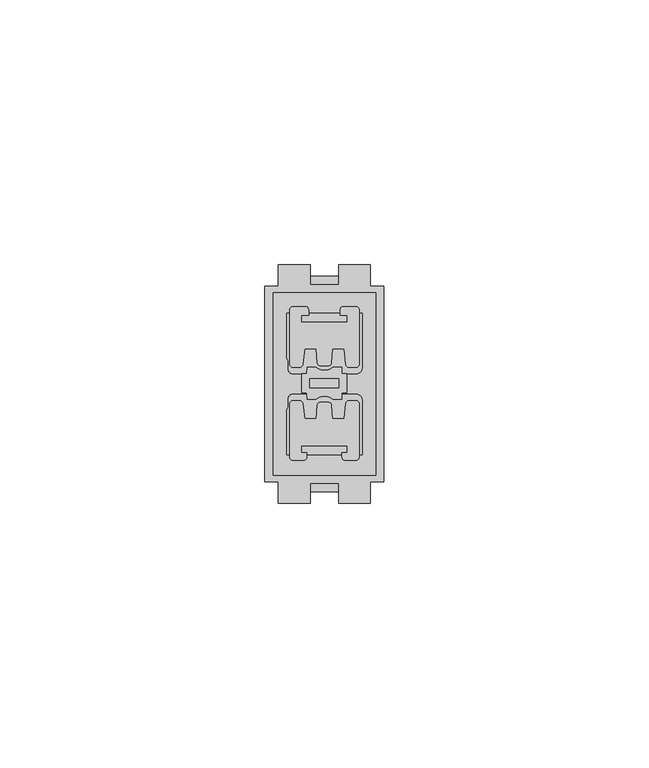
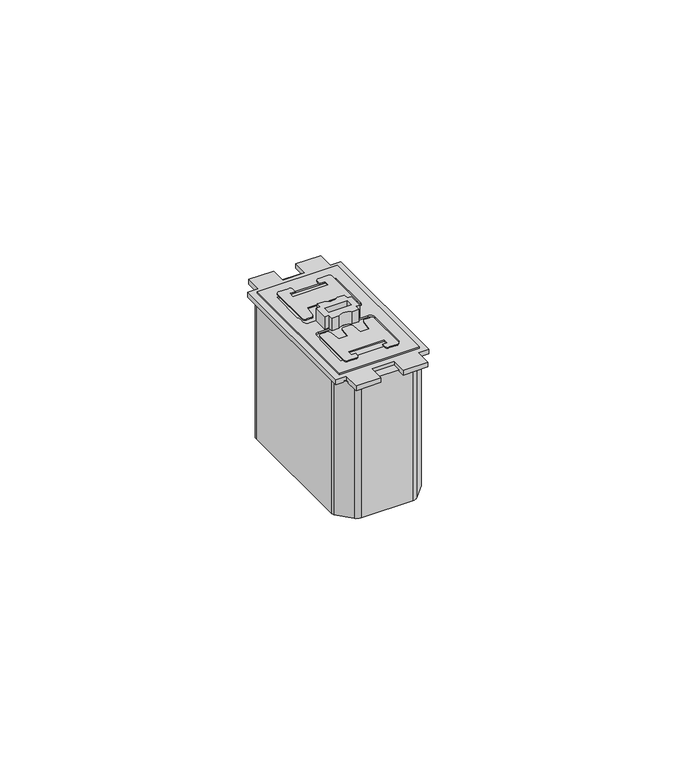
"""IFC4 building model written with IfcOpenShell, lengths in millimetres: proxy geometry."""

from ifc_helpers import new_model, si_unit, point, frame, frame_2d, origin, origin_with_axes, place, context, project, spatial, polyline, circle_curve, trimmed, segment, composite_curve, outline, extrude, source, transform, mapped, element, save


def electrical_fixtures_7c8f1b12(model_context):
    return source(origin(), model_context, "Body", "SweptSolid", [
        extrude(outline(composite_curve([segment(polyline([(8.0, 25.6223958), (9.6534855, 25.6223958)]), True, "CONTINUOUS"), segment(trimmed(circle_curve(frame_2d((11.25, 27.6645583)), 2.5921585), [point((9.6534855, 25.6223958))], [point((12.8465144, 25.6223958))], True, "CARTESIAN"), True, "CONTINUOUS"), segment(polyline([(12.8465144, 25.6223958), (14.5, 25.6223958), (14.5523931, 24.4223958), (15.5018248, 24.4223958), (15.5018248, 20.8223958), (14.5523931, 20.8223958), (14.5, 19.6223958), (12.8465144, 19.6223958)]), True, "CONTINUOUS"), segment(trimmed(circle_curve(frame_2d((11.25, 17.5802334)), 2.5921585), [point((12.8465144, 19.6223958))], [point((9.6534855, 19.6223958))], True, "CARTESIAN"), True, "CONTINUOUS"), segment(polyline([(9.6534855, 19.6223958), (8.0, 19.6223958), (7.9476069, 20.8223958), (6.9981751, 20.8223958), (6.9981751, 24.4223958), (7.9476069, 24.4223958), (8.0, 25.6223958)]), True, "CONTINUOUS")], self_intersect=False), holes=[polyline([(13.9893543, 23.4985981), (8.5106457, 23.4985981), (8.5106457, 21.7461936), (13.9893543, 21.7461936), (13.9893543, 23.4985981)])]), frame((0.0, 0.0, 1.5736937), z_axis=(0.0, 0.0, 1.0), x_axis=(1.0, 0.0, 0.0)), (0.0, 0.0, 1.0), 3.1763063),
        extrude(outline(composite_curve([segment(trimmed(circle_curve(frame_2d((5.2789012, 18.7487029)), 0.6009646), [point((4.6779366, 18.7487029))], [point((5.2789012, 19.3496676))], False, "CARTESIAN"), True, "CONTINUOUS"), segment(polyline([(5.2789012, 19.3496676), (6.560814, 19.3496676)]), True, "CONTINUOUS"), segment(trimmed(circle_curve(frame_2d((6.560814, 18.7099915)), 0.639676), [point((6.560814, 19.3496676))], [point((7.1814889, 18.8647431))], False, "CARTESIAN"), True, "CONTINUOUS"), segment(polyline([(7.1814889, 18.8647431), (7.546549, 15.8915672), (9.7492399, 15.8915672), (9.9342949, 18.5379774)]), True, "CONTINUOUS"), segment(trimmed(circle_curve(frame_2d((10.5204569, 18.4555977)), 0.5919226), [point((9.9342949, 18.5379774))], [point((10.5204569, 19.0475203))], False, "CARTESIAN"), True, "CONTINUOUS"), segment(polyline([(10.5204569, 19.0475203), (11.9795431, 19.0475203)]), True, "CONTINUOUS"), segment(trimmed(circle_curve(frame_2d((11.9795431, 18.4555977)), 0.5919226), [point((11.9795431, 19.0475203))], [point((12.5657051, 18.5379774))], False, "CARTESIAN"), True, "CONTINUOUS"), segment(polyline([(12.5657051, 18.5379774), (12.7507601, 15.8915672), (14.953451, 15.8915672), (15.3185111, 18.8647431)]), True, "CONTINUOUS"), segment(trimmed(circle_curve(frame_2d((15.939186, 18.7099915)), 0.639676), [point((15.3185111, 18.8647431))], [point((15.939186, 19.3496676))], False, "CARTESIAN"), True, "CONTINUOUS"), segment(polyline([(15.939186, 19.3496676), (17.2210988, 19.3496676)]), True, "CONTINUOUS"), segment(trimmed(circle_curve(frame_2d((17.2210988, 18.7487029)), 0.6009646), [point((17.2210988, 19.3496676))], [point((17.8220634, 18.7487029))], False, "CARTESIAN"), True, "CONTINUOUS"), segment(polyline([(17.8220634, 18.7487029), (17.8220634, 8.7498452)]), True, "CONTINUOUS"), segment(trimmed(circle_curve(frame_2d((17.194614, 8.7498452)), 0.6274493), [point((17.8220634, 8.7498452))], [point((17.194614, 8.1223958))], False, "CARTESIAN"), True, "CONTINUOUS"), segment(polyline([(17.194614, 8.1223958), (15.1791727, 8.1223958)]), True, "CONTINUOUS"), segment(trimmed(circle_curve(frame_2d((15.1791727, 8.736603)), 0.6142071), [point((15.1791727, 8.1223958))], [point((14.5649656, 8.736603))], False, "CARTESIAN"), True, "CONTINUOUS"), segment(polyline([(14.5649656, 8.736603), (14.5649656, 9.5309866), (15.5879276, 9.5309866), (15.5879276, 10.8291823), (6.9120724, 10.8291823), (6.9120724, 9.5309866), (7.9350344, 9.5309866), (7.9350344, 8.736603)]), True, "CONTINUOUS"), segment(trimmed(circle_curve(frame_2d((7.3208273, 8.736603)), 0.6142071), [point((7.9350344, 8.736603))], [point((7.3208273, 8.1223958))], False, "CARTESIAN"), True, "CONTINUOUS"), segment(polyline([(7.3208273, 8.1223958), (5.305386, 8.1223958)]), True, "CONTINUOUS"), segment(trimmed(circle_curve(frame_2d((5.305386, 8.7498452)), 0.6274493), [point((5.305386, 8.1223958))], [point((4.6779366, 8.7498452))], False, "CARTESIAN"), True, "CONTINUOUS"), segment(polyline([(4.6779366, 8.7498452), (4.6779366, 18.7487029)]), True, "CONTINUOUS")], self_intersect=False)), frame((0.0, 0.0, 1.5736937), z_axis=(0.0, 0.0, 1.0), x_axis=(1.0, 0.0, 0.0)), (0.0, 0.0, 1.0), 0.2763063),
        extrude(outline(composite_curve([segment(polyline([(4.6779366, 26.2512971), (4.6779366, 36.4949465)]), True, "CONTINUOUS"), segment(trimmed(circle_curve(frame_2d((5.305386, 36.4949465)), 0.6274493), [point((4.6779366, 36.4949465))], [point((5.305386, 37.1223958))], False, "CARTESIAN"), True, "CONTINUOUS"), segment(polyline([(5.305386, 37.1223958), (7.6357929, 37.1223958)]), True, "CONTINUOUS"), segment(trimmed(circle_curve(frame_2d((7.6357929, 36.5081887)), 0.6142071), [point((7.6357929, 37.1223958))], [point((8.25, 36.5081887))], False, "CARTESIAN"), True, "CONTINUOUS"), segment(polyline([(8.25, 36.5081887), (8.25, 35.4690134), (6.9120724, 35.4690134), (6.9120724, 34.1708177), (15.5879276, 34.1708177), (15.5879276, 35.4690134), (14.25, 35.4690134), (14.25, 36.5081887)]), True, "CONTINUOUS"), segment(trimmed(circle_curve(frame_2d((14.8642071, 36.5081887)), 0.6142071), [point((14.25, 36.5081887))], [point((14.8642071, 37.1223958))], False, "CARTESIAN"), True, "CONTINUOUS"), segment(polyline([(14.8642071, 37.1223958), (17.194614, 37.1223958)]), True, "CONTINUOUS"), segment(trimmed(circle_curve(frame_2d((17.194614, 36.4949465)), 0.6274493), [point((17.194614, 37.1223958))], [point((17.8220634, 36.4949465))], False, "CARTESIAN"), True, "CONTINUOUS"), segment(polyline([(17.8220634, 36.4949465), (17.8220634, 26.2512971)]), True, "CONTINUOUS"), segment(trimmed(circle_curve(frame_2d((17.2210988, 26.2512971)), 0.6009646), [point((17.8220634, 26.2512971))], [point((17.2210988, 25.6503324))], False, "CARTESIAN"), True, "CONTINUOUS"), segment(polyline([(17.2210988, 25.6503324), (15.939186, 25.6503324)]), True, "CONTINUOUS"), segment(trimmed(circle_curve(frame_2d((15.939186, 26.2900085)), 0.639676), [point((15.939186, 25.6503324))], [point((15.3185111, 26.1352569))], False, "CARTESIAN"), True, "CONTINUOUS"), segment(polyline([(15.3185111, 26.1352569), (14.953451, 29.1084328), (12.7507601, 29.1084328), (12.5657051, 26.4620226)]), True, "CONTINUOUS"), segment(trimmed(circle_curve(frame_2d((11.9795431, 26.5444023)), 0.5919226), [point((12.5657051, 26.4620226))], [point((11.9795431, 25.9524797))], False, "CARTESIAN"), True, "CONTINUOUS"), segment(polyline([(11.9795431, 25.9524797), (10.5204569, 25.9524797)]), True, "CONTINUOUS"), segment(trimmed(circle_curve(frame_2d((10.5204569, 26.5444023)), 0.5919226), [point((10.5204569, 25.9524797))], [point((9.9342949, 26.4620226))], False, "CARTESIAN"), True, "CONTINUOUS"), segment(polyline([(9.9342949, 26.4620226), (9.7492399, 29.1084328), (7.546549, 29.1084328), (7.1814889, 26.1352569)]), True, "CONTINUOUS"), segment(trimmed(circle_curve(frame_2d((6.560814, 26.2900085)), 0.639676), [point((7.1814889, 26.1352569))], [point((6.560814, 25.6503324))], False, "CARTESIAN"), True, "CONTINUOUS"), segment(polyline([(6.560814, 25.6503324), (5.2789012, 25.6503324)]), True, "CONTINUOUS"), segment(trimmed(circle_curve(frame_2d((5.2789012, 26.2512971)), 0.6009646), [point((5.2789012, 25.6503324))], [point((4.6779366, 26.2512971))], False, "CARTESIAN"), True, "CONTINUOUS")], self_intersect=False)), frame((0.0, 0.0, 1.5736937), z_axis=(0.0, 0.0, 1.0), x_axis=(1.0, 0.0, 0.0)), (0.0, 0.0, 1.0), 0.2763063),
        extrude(outline(polyline([(20.9310809, 39.7046168), (20.9310809, 5.2953832), (1.5689191, 5.2953832), (1.5689191, 39.7046168), (20.9310809, 39.7046168)]), holes=[composite_curve([segment(trimmed(circle_curve(frame_2d((2.700367, 26.4323958)), 1.7182136), [point((4.15, 27.3547961))], [point((4.4185806, 26.4323958))], False, "CARTESIAN"), True, "CONTINUOUS"), segment(polyline([(4.4185806, 26.4323958), (4.4185806, 25.2872263)]), True, "CONTINUOUS"), segment(trimmed(circle_curve(frame_2d((5.283411, 25.2872263)), 0.8648304), [point((4.4185806, 25.2872263))], [point((5.283411, 24.4223958))], True, "CARTESIAN"), True, "CONTINUOUS"), segment(polyline([(5.283411, 24.4223958), (17.2495844, 24.4223958)]), True, "CONTINUOUS"), segment(trimmed(circle_curve(frame_2d((17.2495844, 25.5228114)), 1.1004156), [point((17.2495844, 24.4223958))], [point((18.35, 25.5228114))], True, "CARTESIAN"), True, "CONTINUOUS"), segment(polyline([(18.35, 25.5228114), (18.35, 35.8223958), (4.15, 35.8223958), (4.15, 27.3547961)]), True, "CONTINUOUS")], self_intersect=False), composite_curve([segment(polyline([(4.15, 17.6452039), (4.15, 9.1776042), (18.35, 9.1776042), (18.35, 19.4771886)]), True, "CONTINUOUS"), segment(trimmed(circle_curve(frame_2d((17.2495844, 19.4771886)), 1.1004156), [point((18.35, 19.4771886))], [point((17.2495844, 20.5776042))], True, "CARTESIAN"), True, "CONTINUOUS"), segment(polyline([(17.2495844, 20.5776042), (5.283411, 20.5776042)]), True, "CONTINUOUS"), segment(trimmed(circle_curve(frame_2d((5.283411, 19.7127737)), 0.8648304), [point((5.283411, 20.5776042))], [point((4.4185806, 19.7127737))], True, "CARTESIAN"), True, "CONTINUOUS"), segment(polyline([(4.4185806, 19.7127737), (4.4185806, 18.5676042)]), True, "CONTINUOUS"), segment(trimmed(circle_curve(frame_2d((2.700367, 18.5676042)), 1.7182136), [point((4.4185806, 18.5676042))], [point((4.15, 17.6452039))], False, "CARTESIAN"), True, "CONTINUOUS")], self_intersect=False)]), frame((0.0, 0.0, 1.1865762), z_axis=(0.0, 0.0, 1.0), x_axis=(1.0, 0.0, 0.0)), (0.0, 0.0, 1.0), 0.3871175),
        extrude(outline(composite_curve([segment(trimmed(circle_curve(frame_2d((22.9785709, 22.0163771)), 28.0250427), [point((0.6708855, 38.9801677))], [point((3.6496058, 42.3090883))], False, "CARTESIAN"), True, "CONTINUOUS"), segment(trimmed(circle_curve(frame_2d((5.0058625, 40.8852084)), 1.9664349), [point((3.6496058, 42.3090883))], [point((5.0058625, 42.8516432))], False, "CARTESIAN"), True, "CONTINUOUS"), segment(polyline([(5.0058625, 42.8516432), (17.4941375, 42.8516432)]), True, "CONTINUOUS"), segment(trimmed(circle_curve(frame_2d((17.4941375, 40.8852084)), 1.9664349), [point((17.4941375, 42.8516432))], [point((18.8503942, 42.3090883))], False, "CARTESIAN"), True, "CONTINUOUS"), segment(trimmed(circle_curve(frame_2d((-0.4785709, 22.0163771)), 28.0250427), [point((18.8503942, 42.3090883))], [point((21.8291145, 38.9801677))], False, "CARTESIAN"), True, "CONTINUOUS"), segment(trimmed(circle_curve(frame_2d((20.8665201, 38.2481666)), 1.2093029), [point((21.8291145, 38.9801677))], [point((22.075823, 38.2481666))], False, "CARTESIAN"), True, "CONTINUOUS"), segment(polyline([(22.075823, 38.2481666), (22.075823, 6.7518334)]), True, "CONTINUOUS"), segment(trimmed(circle_curve(frame_2d((20.8665201, 6.7518334)), 1.2093029), [point((22.075823, 6.7518334))], [point((21.8291145, 6.0198323))], False, "CARTESIAN"), True, "CONTINUOUS"), segment(trimmed(circle_curve(frame_2d((-0.4785709, 22.9836229)), 28.0250427), [point((21.8291145, 6.0198323))], [point((18.8503942, 2.6909117))], False, "CARTESIAN"), True, "CONTINUOUS"), segment(trimmed(circle_curve(frame_2d((17.4941375, 4.1147916)), 1.9664349), [point((18.8503942, 2.6909117))], [point((17.4941375, 2.1483568))], False, "CARTESIAN"), True, "CONTINUOUS"), segment(polyline([(17.4941375, 2.1483568), (5.0058625, 2.1483568)]), True, "CONTINUOUS"), segment(trimmed(circle_curve(frame_2d((5.0058625, 4.1147916)), 1.9664349), [point((5.0058625, 2.1483568))], [point((3.6496058, 2.6909117))], False, "CARTESIAN"), True, "CONTINUOUS"), segment(trimmed(circle_curve(frame_2d((22.9785709, 22.9836229)), 28.0250427), [point((3.6496058, 2.6909117))], [point((0.6708855, 6.0198323))], False, "CARTESIAN"), True, "CONTINUOUS"), segment(trimmed(circle_curve(frame_2d((1.6334799, 6.7518334)), 1.2093029), [point((0.6708855, 6.0198323))], [point((0.424177, 6.7518334))], False, "CARTESIAN"), True, "CONTINUOUS"), segment(polyline([(0.424177, 6.7518334), (0.424177, 38.2481666)]), True, "CONTINUOUS"), segment(trimmed(circle_curve(frame_2d((1.6334799, 38.2481666)), 1.2093029), [point((0.424177, 38.2481666))], [point((0.6708855, 38.9801677))], False, "CARTESIAN"), True, "CONTINUOUS")], self_intersect=False)), frame((0.0, 0.0, -34.75), z_axis=(0.0, 0.0, 1.0), x_axis=(1.0, 0.0, 0.0)), (0.0, 0.0, 1.0), 34.75),
        extrude(outline(polyline([(0.0, 4.0), (0.0, 41.0), (2.55, 41.0), (2.55, 45.0), (8.5381171, 45.0), (8.5381171, 41.2139641), (13.9618829, 41.2139641), (13.9618829, 45.0), (19.95, 45.0), (19.95, 41.0), (22.5, 41.0), (22.5, 4.0), (19.95, 4.0), (19.95, 0.0), (13.9618829, 0.0), (13.9618829, 3.7860359), (8.5381171, 3.7860359), (8.5381171, 0.0), (2.55, 0.0), (2.55, 4.0), (0.0, 4.0)])), origin_with_axes(), (0.0, 0.0, 1.0), 1.1865762),
    ])


if __name__ == "__main__":
    model = new_model("IFC4")
    model_context = context("Model", 3, world=origin())
    ifc_project = project(units=[si_unit("LENGTHUNIT", "METRE", prefix="MILLI")], contexts=[model_context])
    site = spatial("IfcSite", under=ifc_project)
    building = spatial("IfcBuilding", under=site)
    placement = place(None, origin())
    electrical_fixtures_shape = electrical_fixtures_7c8f1b12(model_context)
    element("IfcBuildingElementProxy", 1, Name="Electrical Fixtures", at=placement, inside=building, context=model_context, shape_type="MappedRepresentation", body=[
        mapped(electrical_fixtures_shape, transform((0.0, 0.0, 0.0), x_axis=(1.0, 0.0, 0.0), y_axis=(0.0, 1.0, 0.0), z_axis=(0.0, 0.0, 1.0))),
    ])
    save(model, "model.ifc")
